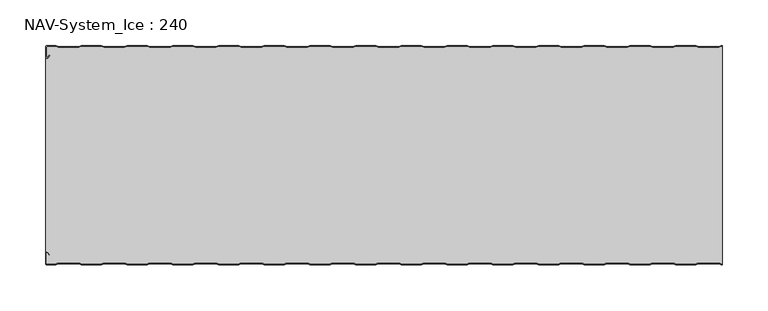
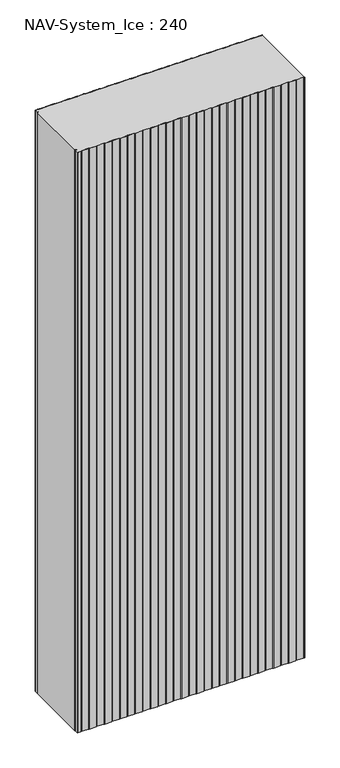
"""IFC4 building model written with IfcOpenShell, lengths in millimetres: plate geometry, NAV-System_Ice : 240."""

import ifcopenshell
import ifcopenshell.guid

model = None  # the IFC model being written
_history = None  # IfcOwnerHistory: only IFC2X3 demands one
_inside = {}  # id of a spatial element -> (the spatial element, [elements in it])
_under = {}  # id of a project, library or spatial element -> (it, [spatial elements below it])
_declared = {}  # id of a project -> (the project, [libraries it declares])
_typed = {}  # id of a type object -> (the type object, [elements of that type])
_made_of = {}  # id of a material, layer set ... -> (it, [elements and type objects made of it])


def new_model(schema):
    """Start an empty IFC model of exactly this schema.

    Asked for "IFC4X3", IfcOpenShell would pick the latest addendum, in which some entities
    have other attributes; the version numbers below select the first issue.
    IFC2X3 requires an IfcOwnerHistory on every rooted entity: one is made here for all.
    """
    global model, _history
    if schema == "IFC4X3":
        model = ifcopenshell.file(schema_version=(4, 3, 0, 0))
    else:
        model = ifcopenshell.file(schema=schema)
    _inside.clear()
    _under.clear()
    _declared.clear()
    _typed.clear()
    _made_of.clear()
    _history = None
    if model.schema == "IFC2X3":
        org = make("IfcOrganization", Name="unknown")
        user = make(
            "IfcPersonAndOrganization",
            ThePerson=make("IfcPerson", FamilyName="unknown"),
            TheOrganization=org,
        )
        app = make(
            "IfcApplication",
            ApplicationDeveloper=org,
            Version="unknown",
            ApplicationFullName="unknown",
            ApplicationIdentifier="unknown",
        )
        _history = make(
            "IfcOwnerHistory",
            OwningUser=user,
            OwningApplication=app,
            ChangeAction="ADDED",
            CreationDate=0,
        )
    return model


def make(cls, **values):
    """One entity of the class cls with the attributes given. An attribute that is None is left unset."""
    return model.create_entity(
        cls, **{name: value for name, value in values.items() if value is not None}
    )


def rooted(cls, **values):
    """An entity with a GlobalId (a new one), such as an element, a storey or a relation."""
    return make(cls, GlobalId=ifcopenshell.guid.new(), OwnerHistory=_history, **values)


def si_unit(unit_type, name, prefix=None):
    """IfcSIUnit, for example si_unit("LENGTHUNIT", "METRE", prefix="MILLI")."""
    return make("IfcSIUnit", UnitType=unit_type, Prefix=prefix, Name=name)


def assignment(units):
    """IfcUnitAssignment: the units of a project."""
    return None if units is None else make("IfcUnitAssignment", Units=units)


def point(xyz):
    """IfcCartesianPoint."""
    return None if xyz is None else make("IfcCartesianPoint", Coordinates=xyz)


def direction(xyz):
    """IfcDirection."""
    return None if xyz is None else make("IfcDirection", DirectionRatios=xyz)


def frame(location, z_axis=None, x_axis=None):
    """IfcAxis2Placement3D, a coordinate frame: its origin and axes. An axis left out is left unset."""
    return make(
        "IfcAxis2Placement3D",
        Location=point(location),
        Axis=direction(z_axis),
        RefDirection=direction(x_axis),
    )


def frame_2d(location, x_axis=None):
    """IfcAxis2Placement2D, a coordinate frame in the plane: its origin and x axis."""
    return make(
        "IfcAxis2Placement2D", Location=point(location), RefDirection=direction(x_axis)
    )


def origin():
    """The frame at (0, 0, 0) with its axes left unset."""
    return frame((0.0, 0.0, 0.0))


def origin_with_axes():
    """The frame at (0, 0, 0) with the z axis (0, 0, 1) and the x axis (1, 0, 0) written out."""
    return frame((0.0, 0.0, 0.0), z_axis=(0.0, 0.0, 1.0), x_axis=(1.0, 0.0, 0.0))


def place(relative_to, where):
    """IfcLocalPlacement: puts the frame where relative to a parent placement (None: the world)."""
    return make(
        "IfcLocalPlacement", PlacementRelTo=relative_to, RelativePlacement=where
    )


def context(
    kind, dimensions, precision=None, world=None, true_north=None, identifier=None
):
    """IfcGeometricRepresentationContext, for example the 3D "Model" context."""
    return make(
        "IfcGeometricRepresentationContext",
        ContextIdentifier=identifier,
        ContextType=kind,
        CoordinateSpaceDimension=dimensions,
        Precision=precision,
        WorldCoordinateSystem=world,
        TrueNorth=true_north,
    )


def project(units=None, contexts=None):
    """IfcProject with its units and contexts."""
    return rooted(
        "IfcProject",
        Name="project",
        RepresentationContexts=contexts,
        UnitsInContext=assignment(units),
    )


def spatial(cls, under=None, at=None, **own):
    """A site, building, storey or space (cls), placed at a placement, below another one or the project."""
    s = rooted(cls, ObjectPlacement=at, **own)
    if under is not None:
        _under.setdefault(under.id(), (under, []))[1].append(s)
    return s


def polyline(points):
    """IfcPolyline through the points."""
    return make("IfcPolyline", Points=[point(p) for p in points])


def circle_curve(where, radius):
    """IfcCircle in the frame where."""
    return make("IfcCircle", Position=where, Radius=radius)


def trimmed(basis, trim1, trim2, sense, master):
    """IfcTrimmedCurve: the piece of a basis curve between two trims."""
    return make(
        "IfcTrimmedCurve",
        BasisCurve=basis,
        Trim1=trim1,
        Trim2=trim2,
        SenseAgreement=sense,
        MasterRepresentation=master,
    )


def segment(curve, same_sense, transition):
    """IfcCompositeCurveSegment."""
    return make(
        "IfcCompositeCurveSegment",
        Transition=transition,
        SameSense=same_sense,
        ParentCurve=curve,
    )


def composite_curve(segments, self_intersect=None):
    """IfcCompositeCurve: segments joined end to end."""
    return make("IfcCompositeCurve", Segments=segments, SelfIntersect=self_intersect)


def outline(outer, holes=None, kind="AREA"):
    """IfcArbitraryClosedProfileDef: a profile drawn as a closed curve; with holes, ...WithVoids."""
    if holes is None:
        return make("IfcArbitraryClosedProfileDef", ProfileType=kind, OuterCurve=outer)
    return make(
        "IfcArbitraryProfileDefWithVoids",
        ProfileType=kind,
        OuterCurve=outer,
        InnerCurves=holes,
    )


def extrude(swept, where, along, depth):
    """IfcExtrudedAreaSolid: the profile swept, set in the frame where, extruded along a direction by depth."""
    return make(
        "IfcExtrudedAreaSolid",
        SweptArea=swept,
        Position=where,
        ExtrudedDirection=direction(along),
        Depth=depth,
    )


def shape(context_of_items, identifier, shape_type, items):
    """IfcShapeRepresentation: the items that make up one representation, for example the "Body"."""
    return make(
        "IfcShapeRepresentation",
        ContextOfItems=context_of_items,
        RepresentationIdentifier=identifier,
        RepresentationType=shape_type,
        Items=items,
    )


def source(mapping_origin, context_of_items, identifier, shape_type, items):
    """IfcRepresentationMap: a shape defined once, which mapped items show again and again."""
    return make(
        "IfcRepresentationMap",
        MappingOrigin=mapping_origin,
        MappedRepresentation=shape(context_of_items, identifier, shape_type, items),
    )


def transform(
    local_origin,
    x_axis=None,
    y_axis=None,
    z_axis=None,
    scale=None,
    scale2=None,
    scale3=None,
    uniform=True,
):
    """IfcCartesianTransformationOperator3D, or its non-uniform kind. x_axis, y_axis, z_axis: its Axis1, 2, 3."""
    if uniform:
        return make(
            "IfcCartesianTransformationOperator3D",
            Axis1=direction(x_axis),
            Axis2=direction(y_axis),
            LocalOrigin=point(local_origin),
            Scale=scale,
            Axis3=direction(z_axis),
        )
    return make(
        "IfcCartesianTransformationOperator3DnonUniform",
        Axis1=direction(x_axis),
        Axis2=direction(y_axis),
        LocalOrigin=point(local_origin),
        Scale=scale,
        Axis3=direction(z_axis),
        Scale2=scale2,
        Scale3=scale3,
    )


def mapped(mapping_source, mapping_target):
    """IfcMappedItem: shows the shape of a source again, moved by a transform."""
    return make(
        "IfcMappedItem", MappingSource=mapping_source, MappingTarget=mapping_target
    )


def made_of(thing, what):
    """Note that an element or type object is made of a material, layer set ...; save() writes the relation."""
    if what is not None:
        _made_of.setdefault(what.id(), (what, []))[1].append(thing)
    return thing


def element(
    cls,
    number,
    at=None,
    inside=None,
    cuts=None,
    type_object=None,
    material=None,
    context=None,
    identifier="Body",
    shape_type=None,
    held_by="IfcProductDefinitionShape",
    body=None,
    shapes=None,
    **own,
):
    """One element of the class cls, such as IfcWall. Its Tag is "e" and its number.

    at: its placement. inside: the storey or other place that contains it. cuts: it is an
    opening in that element (IfcRelVoidsElement). A single representation is given by context,
    identifier, shape_type and body (its items); several are given by shapes. held_by: the class
    of the entity that holds the representations. save() writes the other relations.
    """
    e = rooted(cls, Tag="e%d" % number, ObjectPlacement=at, **own)
    if body is not None:
        shapes = [shape(context, identifier, shape_type, body)]
    if shapes is not None:
        e.Representation = make(held_by, Representations=shapes)
    if inside is not None:
        _inside.setdefault(inside.id(), (inside, []))[1].append(e)
    if cuts is not None:
        rooted(
            "IfcRelVoidsElement", RelatingBuildingElement=cuts, RelatedOpeningElement=e
        )
    if type_object is not None:
        _typed.setdefault(type_object.id(), (type_object, []))[1].append(e)
    return made_of(e, material)


def aggregate(whole, parts):
    """IfcRelAggregates: a whole, such as a stair, and the parts it consists of."""
    return rooted("IfcRelAggregates", RelatingObject=whole, RelatedObjects=parts)


def save(model, path):
    """Write the relations noted so far, then the file.

    IfcRelAggregates (storeys below a building ...), IfcRelContainedInSpatialStructure (elements
    in a storey), IfcRelDefinesByType, IfcRelAssociatesMaterial and IfcRelDeclares: one each for
    every whole, place, type object, material and project.
    """
    for whole, parts in _under.values():
        aggregate(whole, parts)
    for where, things in _inside.values():
        rooted(
            "IfcRelContainedInSpatialStructure",
            RelatedElements=things,
            RelatingStructure=where,
        )
    for kind, things in _typed.values():
        rooted("IfcRelDefinesByType", RelatedObjects=things, RelatingType=kind)
    for what, things in _made_of.values():
        rooted("IfcRelAssociatesMaterial", RelatedObjects=things, RelatingMaterial=what)
    for by, libraries in _declared.values():
        rooted("IfcRelDeclares", RelatingContext=by, RelatedDefinitions=libraries)
    model.write(path)


def nav_system_ice_240_07529991(model_context):
    return source(origin(), model_context, "Body", "SweptSolid", [
        extrude(outline(composite_curve([segment(polyline([(369.1298221, -0.8), (366.1298221, -1.8), (343.8701779, -1.8), (340.8701779, -0.8), (319.1298221, -0.8), (316.1298221, -1.8), (293.8701779, -1.8), (290.8701779, -0.8), (269.1298221, -0.8), (266.1298221, -1.8), (243.8701779, -1.8), (240.8701779, -0.8), (219.1298221, -0.8), (216.1298221, -1.8), (193.8701779, -1.8), (190.8701779, -0.8), (169.1298221, -0.8), (166.1298221, -1.8), (143.8701779, -1.8), (140.8701779, -0.8), (119.1298221, -0.8), (116.1298221, -1.8), (93.8701779, -1.8), (90.8701779, -0.8), (69.1298221, -0.8), (66.1298221, -1.8), (43.8701779, -1.8), (40.8701779, -0.8), (19.1298221, -0.8), (16.1298221, -1.8), (-6.1298221, -1.8), (-9.1298221, -0.8), (-30.8701779, -0.8), (-33.8701779, -1.8), (-56.1298221, -1.8), (-59.1298221, -0.8), (-80.8701779, -0.8), (-83.8701779, -1.8), (-106.1298221, -1.8), (-109.1298221, -0.8), (-130.8701779, -0.8), (-133.8701779, -1.8), (-156.1298221, -1.8), (-159.1298221, -0.8), (-180.8701779, -0.8), (-183.8701779, -1.8), (-206.1298221, -1.8), (-209.1298221, -0.8), (-230.8701779, -0.8), (-233.8701779, -1.8), (-256.1298221, -1.8), (-259.1298221, -0.8), (-280.8701779, -0.8), (-283.8701779, -1.8), (-306.1298221, -1.8), (-309.1298221, -0.8), (-330.8701779, -0.8), (-333.8701779, -1.8), (-356.1298221, -1.8), (-359.1298221, -0.8), (-368.7, -0.8)]), True, "CONTINUOUS"), segment(trimmed(circle_curve(frame_2d((-368.7, -1.3)), 0.5), [point((-368.7, -0.8))], [point((-369.2, -1.3))], True, "CARTESIAN"), True, "CONTINUOUS"), segment(polyline([(-369.2, -1.3), (-369.2, -12.5857864)]), True, "CONTINUOUS"), segment(trimmed(circle_curve(frame_2d((-368.7, -12.5857864)), 0.5), [point((-369.2, -12.5857864))], [point((-368.3464466, -12.9393398))], True, "CARTESIAN"), True, "CONTINUOUS"), segment(polyline([(-368.3464466, -12.9393398), (-365.9205321, -10.5134253), (-365.3548467, -11.0791108), (-367.7807612, -13.5050253)]), True, "CONTINUOUS"), segment(trimmed(circle_curve(frame_2d((-368.7, -12.5857864)), 1.3), [point((-367.7807612, -13.5050253))], [point((-370.0, -12.5857864))], False, "CARTESIAN"), True, "CONTINUOUS"), segment(polyline([(-370.0, -12.5857864), (-370.0, -1.3)]), True, "CONTINUOUS"), segment(trimmed(circle_curve(frame_2d((-368.7, -1.3)), 1.3), [point((-370.0, -1.3))], [point((-368.7, 0.0))], False, "CARTESIAN"), True, "CONTINUOUS"), segment(polyline([(-368.7, 0.0), (-359.0, 0.0), (-356.0, -1.0), (-334.0, -1.0), (-331.0, 0.0), (-309.0, 0.0), (-306.0, -1.0), (-284.0, -1.0), (-281.0, 0.0), (-259.0, 0.0), (-256.0, -1.0), (-234.0, -1.0), (-231.0, 0.0), (-209.0, 0.0), (-206.0, -1.0), (-184.0, -1.0), (-181.0, 0.0), (-159.0, 0.0), (-156.0, -1.0), (-134.0, -1.0), (-131.0, 0.0), (-109.0, 0.0), (-106.0, -1.0), (-84.0, -1.0), (-81.0, 0.0), (-59.0, 0.0), (-56.0, -1.0), (-34.0, -1.0), (-31.0, 0.0), (-9.0, 0.0), (-6.0, -1.0), (16.0, -1.0), (19.0, 0.0), (41.0, 0.0), (44.0, -1.0), (66.0, -1.0), (69.0, 0.0), (91.0, 0.0), (94.0, -1.0), (116.0, -1.0), (119.0, 0.0), (141.0, 0.0), (144.0, -1.0), (166.0, -1.0), (169.0, 0.0), (191.0, 0.0), (194.0, -1.0), (216.0, -1.0), (219.0, 0.0), (241.0, 0.0), (244.0, -1.0), (266.0, -1.0), (269.0, 0.0), (291.0, 0.0), (294.0, -1.0), (316.0, -1.0), (319.0, 0.0), (341.0, 0.0), (344.0, -1.0), (366.0, -1.0), (369.0, 0.0), (370.0, 0.0), (370.0, -0.8), (369.1298221, -0.8)]), True, "CONTINUOUS")], self_intersect=False)), origin_with_axes(), (0.0, 0.0, 1.0), 2000.0),
        extrude(outline(composite_curve([segment(polyline([(369.1298221, -239.2), (366.1298221, -238.2), (343.8701779, -238.2), (340.8701779, -239.2), (319.1298221, -239.2), (316.1298221, -238.2), (293.8701779, -238.2), (290.8701779, -239.2), (269.1298221, -239.2), (266.1298221, -238.2), (243.8701779, -238.2), (240.8701779, -239.2), (219.1298221, -239.2), (216.1298221, -238.2), (193.8701779, -238.2), (190.8701779, -239.2), (169.1298221, -239.2), (166.1298221, -238.2), (143.8701779, -238.2), (140.8701779, -239.2), (119.1298221, -239.2), (116.1298221, -238.2), (93.8701779, -238.2), (90.8701779, -239.2), (69.1298221, -239.2), (66.1298221, -238.2), (43.8701779, -238.2), (40.8701779, -239.2), (19.1298221, -239.2), (16.1298221, -238.2), (-6.1298221, -238.2), (-9.1298221, -239.2), (-30.8701779, -239.2), (-33.8701779, -238.2), (-56.1298221, -238.2), (-59.1298221, -239.2), (-80.8701779, -239.2), (-83.8701779, -238.2), (-106.1298221, -238.2), (-109.1298221, -239.2), (-130.8701779, -239.2), (-133.8701779, -238.2), (-156.1298221, -238.2), (-159.1298221, -239.2), (-180.8701779, -239.2), (-183.8701779, -238.2), (-206.1298221, -238.2), (-209.1298221, -239.2), (-230.8701779, -239.2), (-233.8701779, -238.2), (-256.1298221, -238.2), (-259.1298221, -239.2), (-280.8701779, -239.2), (-283.8701779, -238.2), (-306.1298221, -238.2), (-309.1298221, -239.2), (-330.8701779, -239.2), (-333.8701779, -238.2), (-356.1298221, -238.2), (-359.1298221, -239.2), (-368.7, -239.2)]), True, "CONTINUOUS"), segment(trimmed(circle_curve(frame_2d((-368.7, -238.7)), 0.5), [point((-368.7, -239.2))], [point((-369.2, -238.7))], False, "CARTESIAN"), True, "CONTINUOUS"), segment(polyline([(-369.2, -238.7), (-369.2, -227.4142136)]), True, "CONTINUOUS"), segment(trimmed(circle_curve(frame_2d((-368.7, -227.4142136)), 0.5), [point((-369.2, -227.4142136))], [point((-368.3464466, -227.0606602))], False, "CARTESIAN"), True, "CONTINUOUS"), segment(polyline([(-368.3464466, -227.0606602), (-365.9205321, -229.4865747), (-365.3548467, -228.9208892), (-367.7807612, -226.4949747)]), True, "CONTINUOUS"), segment(trimmed(circle_curve(frame_2d((-368.7, -227.4142136)), 1.3), [point((-367.7807612, -226.4949747))], [point((-368.7, -226.1142136))], True, "CARTESIAN"), True, "CONTINUOUS"), segment(polyline([(-368.7, -226.1142136), (-370.0, -226.1142136), (-370.0, -13.8857864), (-368.7, -13.8857864)]), True, "CONTINUOUS"), segment(trimmed(circle_curve(frame_2d((-368.7, -12.5857864)), 1.3), [point((-368.7, -13.8857864))], [point((-367.7807612, -13.5050253))], True, "CARTESIAN"), True, "CONTINUOUS"), segment(polyline([(-367.7807612, -13.5050253), (-365.3548467, -11.0791108), (-365.9205321, -10.5134253), (-368.3464466, -12.9393398)]), True, "CONTINUOUS"), segment(trimmed(circle_curve(frame_2d((-368.7, -12.5857864)), 0.5), [point((-368.3464466, -12.9393398))], [point((-369.2, -12.5857864))], False, "CARTESIAN"), True, "CONTINUOUS"), segment(polyline([(-369.2, -12.5857864), (-369.2, -1.3)]), True, "CONTINUOUS"), segment(trimmed(circle_curve(frame_2d((-368.7, -1.3)), 0.5), [point((-369.2, -1.3))], [point((-368.7, -0.8))], False, "CARTESIAN"), True, "CONTINUOUS"), segment(polyline([(-368.7, -0.8), (-359.1298221, -0.8), (-356.1298221, -1.8), (-333.8701779, -1.8), (-330.8701779, -0.8), (-309.1298221, -0.8), (-306.1298221, -1.8), (-283.8701779, -1.8), (-280.8701779, -0.8), (-259.1298221, -0.8), (-256.1298221, -1.8), (-233.8701779, -1.8), (-230.8701779, -0.8), (-209.1298221, -0.8), (-206.1298221, -1.8), (-183.8701779, -1.8), (-180.8701779, -0.8), (-159.1298221, -0.8), (-156.1298221, -1.8), (-133.8701779, -1.8), (-130.8701779, -0.8), (-109.1298221, -0.8), (-106.1298221, -1.8), (-83.8701779, -1.8), (-80.8701779, -0.8), (-59.1298221, -0.8), (-56.1298221, -1.8), (-33.8701779, -1.8), (-30.8701779, -0.8), (-9.1298221, -0.8), (-6.1298221, -1.8), (16.1298221, -1.8), (19.1298221, -0.8), (40.8701779, -0.8), (43.8701779, -1.8), (66.1298221, -1.8), (69.1298221, -0.8), (90.8701779, -0.8), (93.8701779, -1.8), (116.1298221, -1.8), (119.1298221, -0.8), (140.8701779, -0.8), (143.8701779, -1.8), (166.1298221, -1.8), (169.1298221, -0.8), (190.8701779, -0.8), (193.8701779, -1.8), (216.1298221, -1.8), (219.1298221, -0.8), (240.8701779, -0.8), (243.8701779, -1.8), (266.1298221, -1.8), (269.1298221, -0.8), (290.8701779, -0.8), (293.8701779, -1.8), (316.1298221, -1.8), (319.1298221, -0.8), (340.8701779, -0.8), (343.8701779, -1.8), (366.1298221, -1.8), (369.1298221, -0.8), (370.0, -0.8), (370.0, -239.2), (369.1298221, -239.2)]), True, "CONTINUOUS")], self_intersect=False)), origin_with_axes(), (0.0, 0.0, 1.0), 2000.0),
        extrude(outline(composite_curve([segment(polyline([(369.0, -240.0), (366.0, -239.0), (344.0, -239.0), (341.0, -240.0), (319.0, -240.0), (316.0, -239.0), (294.0, -239.0), (291.0, -240.0), (269.0, -240.0), (266.0, -239.0), (244.0, -239.0), (241.0, -240.0), (219.0, -240.0), (216.0, -239.0), (194.0, -239.0), (191.0, -240.0), (169.0, -240.0), (166.0, -239.0), (144.0, -239.0), (141.0, -240.0), (119.0, -240.0), (116.0, -239.0), (94.0, -239.0), (91.0, -240.0), (69.0, -240.0), (66.0, -239.0), (44.0, -239.0), (41.0, -240.0), (19.0, -240.0), (16.0, -239.0), (-6.0, -239.0), (-9.0, -240.0), (-31.0, -240.0), (-34.0, -239.0), (-56.0, -239.0), (-59.0, -240.0), (-81.0, -240.0), (-84.0, -239.0), (-106.0, -239.0), (-109.0, -240.0), (-131.0, -240.0), (-134.0, -239.0), (-156.0, -239.0), (-159.0, -240.0), (-181.0, -240.0), (-184.0, -239.0), (-206.0, -239.0), (-209.0, -240.0), (-231.0, -240.0), (-234.0, -239.0), (-256.0, -239.0), (-259.0, -240.0), (-281.0, -240.0), (-284.0, -239.0), (-306.0, -239.0), (-309.0, -240.0), (-331.0, -240.0), (-334.0, -239.0), (-356.0, -239.0), (-359.0, -240.0), (-368.7, -240.0)]), True, "CONTINUOUS"), segment(trimmed(circle_curve(frame_2d((-368.7, -238.7)), 1.3), [point((-368.7, -240.0))], [point((-370.0, -238.7))], False, "CARTESIAN"), True, "CONTINUOUS"), segment(polyline([(-370.0, -238.7), (-370.0, -227.4142136)]), True, "CONTINUOUS"), segment(trimmed(circle_curve(frame_2d((-368.7, -227.4142136)), 1.3), [point((-370.0, -227.4142136))], [point((-367.7807612, -226.4949747))], False, "CARTESIAN"), True, "CONTINUOUS"), segment(polyline([(-367.7807612, -226.4949747), (-365.3548467, -228.9208892), (-365.9205321, -229.4865747), (-368.3464466, -227.0606602)]), True, "CONTINUOUS"), segment(trimmed(circle_curve(frame_2d((-368.7, -227.4142136)), 0.5), [point((-368.3464466, -227.0606602))], [point((-369.2, -227.4142136))], True, "CARTESIAN"), True, "CONTINUOUS"), segment(polyline([(-369.2, -227.4142136), (-369.2, -238.7)]), True, "CONTINUOUS"), segment(trimmed(circle_curve(frame_2d((-368.7, -238.7)), 0.5), [point((-369.2, -238.7))], [point((-368.7, -239.2))], True, "CARTESIAN"), True, "CONTINUOUS"), segment(polyline([(-368.7, -239.2), (-359.1298221, -239.2), (-356.1298221, -238.2), (-333.8701779, -238.2), (-330.8701779, -239.2), (-309.1298221, -239.2), (-306.1298221, -238.2), (-283.8701779, -238.2), (-280.8701779, -239.2), (-259.1298221, -239.2), (-256.1298221, -238.2), (-233.8701779, -238.2), (-230.8701779, -239.2), (-209.1298221, -239.2), (-206.1298221, -238.2), (-183.8701779, -238.2), (-180.8701779, -239.2), (-159.1298221, -239.2), (-156.1298221, -238.2), (-133.8701779, -238.2), (-130.8701779, -239.2), (-109.1298221, -239.2), (-106.1298221, -238.2), (-83.8701779, -238.2), (-80.8701779, -239.2), (-59.1298221, -239.2), (-56.1298221, -238.2), (-33.8701779, -238.2), (-30.8701779, -239.2), (-9.1298221, -239.2), (-6.1298221, -238.2), (16.1298221, -238.2), (19.1298221, -239.2), (40.8701779, -239.2), (43.8701779, -238.2), (66.1298221, -238.2), (69.1298221, -239.2), (90.8701779, -239.2), (93.8701779, -238.2), (116.1298221, -238.2), (119.1298221, -239.2), (140.8701779, -239.2), (143.8701779, -238.2), (166.1298221, -238.2), (169.1298221, -239.2), (190.8701779, -239.2), (193.8701779, -238.2), (216.1298221, -238.2), (219.1298221, -239.2), (240.8701779, -239.2), (243.8701779, -238.2), (266.1298221, -238.2), (269.1298221, -239.2), (290.8701779, -239.2), (293.8701779, -238.2), (316.1298221, -238.2), (319.1298221, -239.2), (340.8701779, -239.2), (343.8701779, -238.2), (366.1298221, -238.2), (369.1298221, -239.2), (370.0, -239.2), (370.0, -240.0), (369.0, -240.0)]), True, "CONTINUOUS")], self_intersect=False)), origin_with_axes(), (0.0, 0.0, 1.0), 2000.0),
    ])


if __name__ == "__main__":
    model = new_model("IFC4")
    model_context = context("Model", 3, world=origin())
    ifc_project = project(units=[si_unit("LENGTHUNIT", "METRE", prefix="MILLI")], contexts=[model_context])
    site = spatial("IfcSite", under=ifc_project)
    building = spatial("IfcBuilding", under=site)
    placement = place(None, origin())
    nav_system_ice_240_shape = nav_system_ice_240_07529991(model_context)
    element("IfcPlate", 1, ObjectType="NAV-System_Ice : 240", at=placement, inside=building, context=model_context, shape_type="MappedRepresentation", body=[
        mapped(nav_system_ice_240_shape, transform((0.0, 0.0, 0.0), x_axis=(1.0, 0.0, 0.0), y_axis=(0.0, 1.0, 0.0), z_axis=(0.0, 0.0, 1.0))),
    ])
    save(model, "model.ifc")
